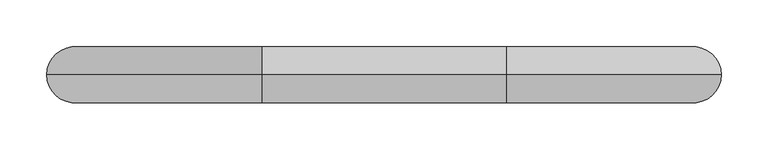
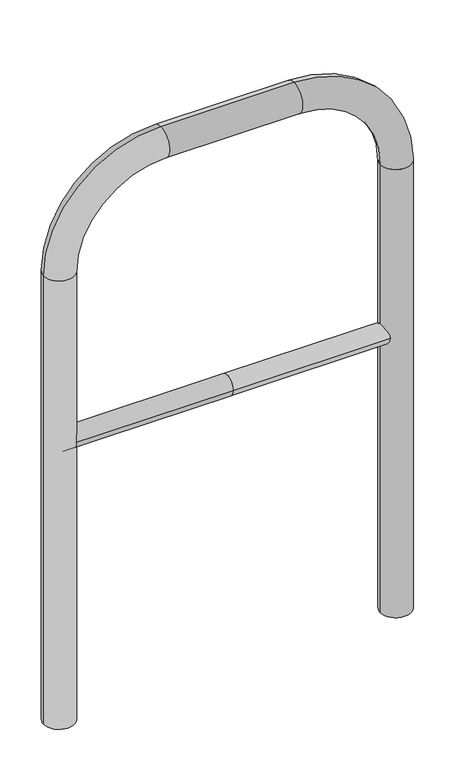
"""IFC4 building model written with IfcOpenShell, lengths in millimetres: proxy geometry."""

from ifc_helpers import new_model, si_unit, point, frame, frame_2d, origin, place, context, project, spatial, circle_curve, ellipse_curve, trimmed, segment, composite_curve, outline, extrude, source, transform, mapped, element, save
from ifc_brep_helpers import plane_surface, cylinder_surface, revolved_surface, advanced_brep


def generic_models_cbe82185(model_context):
    return source(origin(), model_context, "Body", "SolidModel", [
        extrude(outline(composite_curve([segment(trimmed(circle_curve(frame_2d((0.0, 498.4778375)), 20.0), [point((-20.0, 498.4778375))], [point((20.0, 498.4778375))], False, "CARTESIAN"), True, "CONTINUOUS"), segment(trimmed(circle_curve(frame_2d((0.0, 498.4778375)), 20.0), [point((20.0, 498.4778375))], [point((-20.0, 498.4778375))], False, "CARTESIAN"), True, "CONTINUOUS")], self_intersect=False)), frame((-330.8144803, 0.0, 0.0), z_axis=(1.0, 0.0, 0.0), x_axis=(0.0, 1.0, 0.0)), (0.0, 0.0, 1.0), 330.8144803),
        extrude(outline(composite_curve([segment(trimmed(circle_curve(frame_2d((0.0, 498.4778375)), 20.0), [point((-20.0, 498.4778375))], [point((20.0, 498.4778375))], False, "CARTESIAN"), True, "CONTINUOUS"), segment(trimmed(circle_curve(frame_2d((0.0, 498.4778375)), 20.0), [point((20.0, 498.4778375))], [point((-20.0, 498.4778375))], False, "CARTESIAN"), True, "CONTINUOUS")], self_intersect=False)), frame((0.0, 0.0, 0.0), z_axis=(1.0, 0.0, 0.0), x_axis=(0.0, 1.0, 0.0)), (0.0, 0.0, 1.0), 330.8144803),
        advanced_brep(
        [(-300.8144803, 0.0, -80.0), (-360.8144803, 0.0, -80.0), (-300.8144803, 0.0, 850.0), (-360.8144803, 0.0, 850.0), (-130.8144803, 0.0, 1080.0), (-130.8144803, 0.0, 1020.0), (130.8144803, 0.0, 1020.0), (130.8144803, 0.0, 1080.0), (360.8144803, 0.0, 850.0), (300.8144803, 0.0, 850.0), (300.8144803, 0.0, -80.0), (360.8144803, 0.0, -80.0)],
        [
            (0, 1, circle_curve(frame((-330.8144803, 0.0, -80.0), z_axis=(0.0, 0.0, -1.0), x_axis=(-1.0, 0.0, 0.0)), 30.0)),
            (1, 0, circle_curve(frame((-330.8144803, 0.0, -80.0), z_axis=(0.0, 0.0, -1.0), x_axis=(-1.0, 0.0, 0.0)), 30.0)),
            (0, 2),
            (2, 3, circle_curve(frame((-330.8144803, 0.0, 850.0), z_axis=(0.0, 0.0, -1.0), x_axis=(-1.0, 0.0, 0.0)), 30.0)),
            (3, 1),
            (3, 2, circle_curve(frame((-330.8144803, 0.0, 850.0), z_axis=(0.0, 0.0, -1.0), x_axis=(-1.0, 0.0, 0.0)), 30.0)),
            (4, 3, circle_curve(frame((-130.8144803, 0.0, 850.0), z_axis=(0.0, -1.0, 0.0), x_axis=(-1.0, 0.0, 0.0)), 230.0)),
            (2, 5, circle_curve(frame((-130.8144803, 0.0, 850.0), z_axis=(0.0, 1.0, 0.0), x_axis=(-1.0, 0.0, 0.0)), 170.0)),
            (5, 4, circle_curve(frame((-130.8144803, 0.0, 1050.0), z_axis=(-1.0, 0.0, 0.0), x_axis=(0.0, 0.0, 1.0)), 30.0)),
            (4, 5, circle_curve(frame((-130.8144803, 0.0, 1050.0), z_axis=(-1.0, 0.0, 0.0), x_axis=(0.0, 0.0, 1.0)), 30.0)),
            (5, 6),
            (6, 7, circle_curve(frame((130.8144803, 0.0, 1050.0), z_axis=(-1.0, 0.0, 0.0), x_axis=(0.0, 0.0, 1.0)), 30.0)),
            (7, 4),
            (7, 6, circle_curve(frame((130.8144803, 0.0, 1050.0), z_axis=(-1.0, 0.0, 0.0), x_axis=(0.0, 0.0, 1.0)), 30.0)),
            (8, 7, circle_curve(frame((130.8144803, 0.0, 850.0), z_axis=(0.0, -1.0, 0.0), x_axis=(0.0, 0.0, 1.0)), 230.0)),
            (6, 9, circle_curve(frame((130.8144803, 0.0, 850.0), z_axis=(0.0, 1.0, 0.0), x_axis=(0.0, 0.0, 1.0)), 170.0)),
            (9, 8, circle_curve(frame((330.8144803, 0.0, 850.0), z_axis=(0.0, 0.0, 1.0), x_axis=(1.0, 0.0, 0.0)), 30.0)),
            (8, 9, circle_curve(frame((330.8144803, 0.0, 850.0), z_axis=(0.0, 0.0, 1.0), x_axis=(1.0, 0.0, 0.0)), 30.0)),
            (10, 11, circle_curve(frame((330.8144803, 0.0, -80.0), z_axis=(0.0, 0.0, -1.0), x_axis=(1.0, 0.0, 0.0)), 30.0)),
            (11, 10, circle_curve(frame((330.8144803, 0.0, -80.0), z_axis=(0.0, 0.0, -1.0), x_axis=(1.0, 0.0, 0.0)), 30.0)),
            (9, 10),
            (11, 8),
        ],
        [
            plane_surface(frame((-330.8144803, 0.0, -80.0), z_axis=(0.0, 0.0, -1.0), x_axis=(0.0, -1.0, 0.0))),
            cylinder_surface(frame((-330.8144803, 0.0, -80.0), z_axis=(0.0, 0.0, -1.0), x_axis=(-1.0, 0.0, 0.0)), 30.0),
            revolved_surface(trimmed(ellipse_curve(frame((-330.8144803, 0.0, 850.0), z_axis=(0.0, 0.0, -1.0), x_axis=(-1.0, 0.0, 0.0)), 30.0, 30.0), [point((-300.8144803, 0.0, 850.0))], [point((-360.8144803, 0.0, 850.0))], True, "CARTESIAN"), (-130.8144803, 0.0, 850.0), (0.0, 1.0, 0.0)),
            revolved_surface(trimmed(ellipse_curve(frame((-330.8144803, 0.0, 850.0), z_axis=(0.0, 0.0, -1.0), x_axis=(-1.0, 0.0, 0.0)), 30.0, 30.0), [point((-360.8144803, 0.0, 850.0))], [point((-300.8144803, 0.0, 850.0))], True, "CARTESIAN"), (-130.8144803, 0.0, 850.0), (0.0, 1.0, 0.0)),
            cylinder_surface(frame((-130.8144803, 0.0, 1050.0), z_axis=(-1.0, 0.0, 0.0), x_axis=(0.0, 0.0, 1.0)), 30.0),
            revolved_surface(trimmed(ellipse_curve(frame((130.8144803, 0.0, 1050.0), z_axis=(-1.0, 0.0, 0.0), x_axis=(0.0, 0.0, 1.0)), 30.0, 30.0), [point((130.8144803, 0.0, 1020.0))], [point((130.8144803, 0.0, 1080.0))], True, "CARTESIAN"), (130.8144803, 0.0, 850.0), (0.0, 1.0, 0.0)),
            revolved_surface(trimmed(ellipse_curve(frame((130.8144803, 0.0, 1050.0), z_axis=(-1.0, 0.0, 0.0), x_axis=(0.0, 0.0, 1.0)), 30.0, 30.0), [point((130.8144803, 0.0, 1080.0))], [point((130.8144803, 0.0, 1020.0))], True, "CARTESIAN"), (130.8144803, 0.0, 850.0), (0.0, 1.0, 0.0)),
            plane_surface(frame((330.8144803, 0.0, -80.0), z_axis=(0.0, 0.0, -1.0), x_axis=(0.0, -1.0, 0.0))),
            cylinder_surface(frame((330.8144803, 0.0, 850.0), z_axis=(0.0, 0.0, 1.0), x_axis=(1.0, 0.0, 0.0)), 30.0),
        ],
        [
            (0, [[1, 2]]),
            (1, [[-1, 3, 4, 5]]),
            (1, [[-2, -5, 6, -3]]),
            (2, [[7, -4, 8, 9]]),
            (3, [[-8, -6, -7, 10]]),
            (4, [[-9, 11, 12, 13]]),
            (4, [[-10, -13, 14, -11]]),
            (5, [[15, -12, 16, 17]]),
            (6, [[-16, -14, -15, 18]]),
            (7, [[19, 20]]),
            (8, [[-17, 21, -20, 22]]),
            (8, [[-18, -22, -19, -21]]),
        ],
    ),
    ])


if __name__ == "__main__":
    model = new_model("IFC4")
    model_context = context("Model", 3, world=origin())
    ifc_project = project(units=[si_unit("LENGTHUNIT", "METRE", prefix="MILLI")], contexts=[model_context])
    site = spatial("IfcSite", under=ifc_project)
    building = spatial("IfcBuilding", under=site)
    placement = place(None, origin())
    generic_models_shape = generic_models_cbe82185(model_context)
    element("IfcBuildingElementProxy", 1, Name="Generic Models", at=placement, inside=building, context=model_context, shape_type="MappedRepresentation", body=[
        mapped(generic_models_shape, transform((0.0, 0.0, 0.0), x_axis=(1.0, 0.0, 0.0), y_axis=(0.0, 1.0, 0.0), z_axis=(0.0, 0.0, 1.0))),
    ])
    save(model, "model.ifc")
